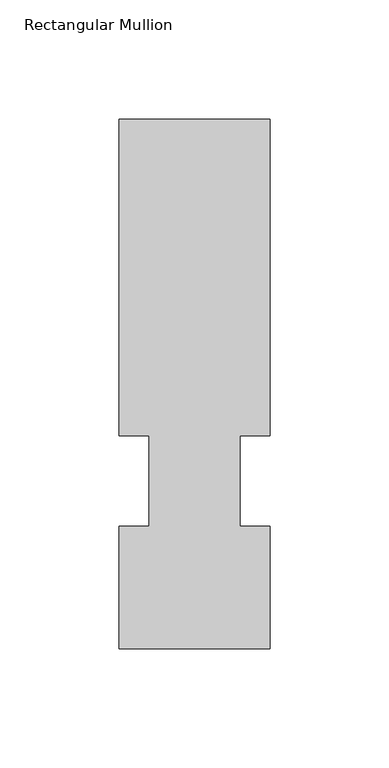
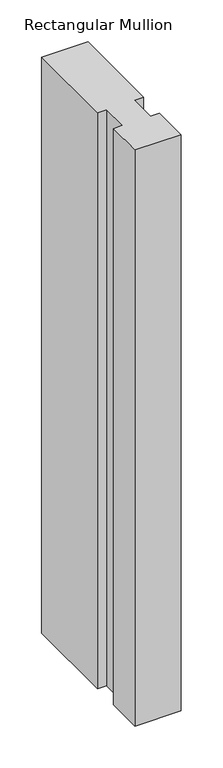
"""IFC4 building model written with IfcOpenShell, lengths in millimetres: member geometry, Rectangular Mullion."""

from ifc_helpers import new_model, si_unit, frame, origin, place, context, project, spatial, polyline, outline, extrude, source, transform, mapped, element, save


def rectangular_mullion_3f7e35fd(model_context):
    return source(origin(), model_context, "Body", "SweptSolid", [
        extrude(outline(polyline([(31.7500002, 222.5381312), (31.7500002, 89.5945313), (19.0499998, 89.5945313), (19.0499998, 51.4945313), (31.7499998, 51.4945313), (31.7499998, 0.2119313), (-31.7500002, 0.2119313), (-31.7500002, 51.4945313), (-19.0500002, 51.4945313), (-19.0500002, 89.5945313), (-31.7499998, 89.5945313), (-31.7499998, 222.5381312), (31.7500002, 222.5381312)])), frame((0.0, 0.0, -838.1999999), z_axis=(0.0, 0.0, 1.0), x_axis=(1.0, 0.0, 0.0)), (0.0, 0.0, 1.0), 838.1999999),
    ])


if __name__ == "__main__":
    model = new_model("IFC4")
    model_context = context("Model", 3, world=origin())
    ifc_project = project(units=[si_unit("LENGTHUNIT", "METRE", prefix="MILLI")], contexts=[model_context])
    site = spatial("IfcSite", under=ifc_project)
    building = spatial("IfcBuilding", under=site)
    placement = place(None, origin())
    rectangular_mullion_shape = rectangular_mullion_3f7e35fd(model_context)
    element("IfcMember", 1, ObjectType="Rectangular Mullion", at=placement, inside=building, context=model_context, shape_type="MappedRepresentation", body=[
        mapped(rectangular_mullion_shape, transform((0.0, 0.0, 0.0), x_axis=(1.0, 0.0, 0.0), y_axis=(0.0, 1.0, 0.0), z_axis=(0.0, 0.0, 1.0))),
    ])
    save(model, "model.ifc")
